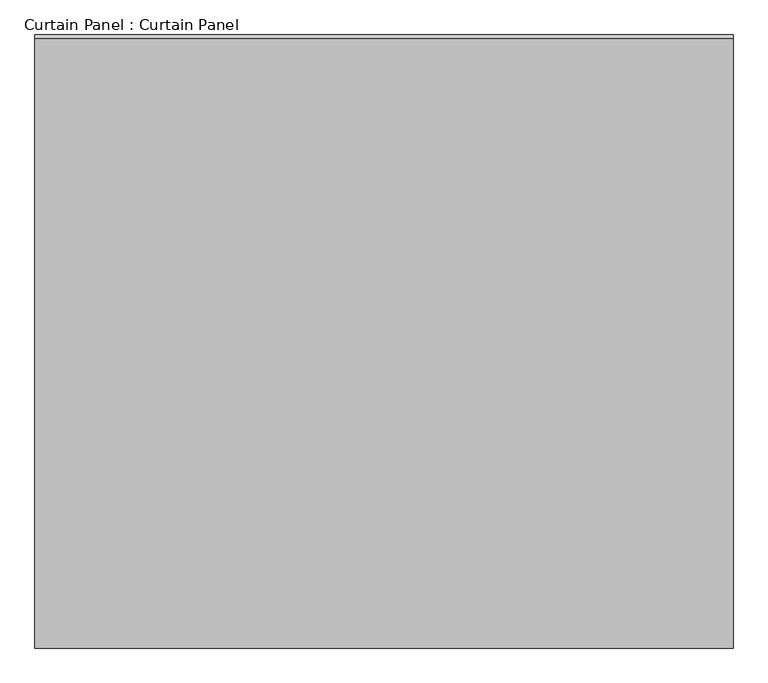
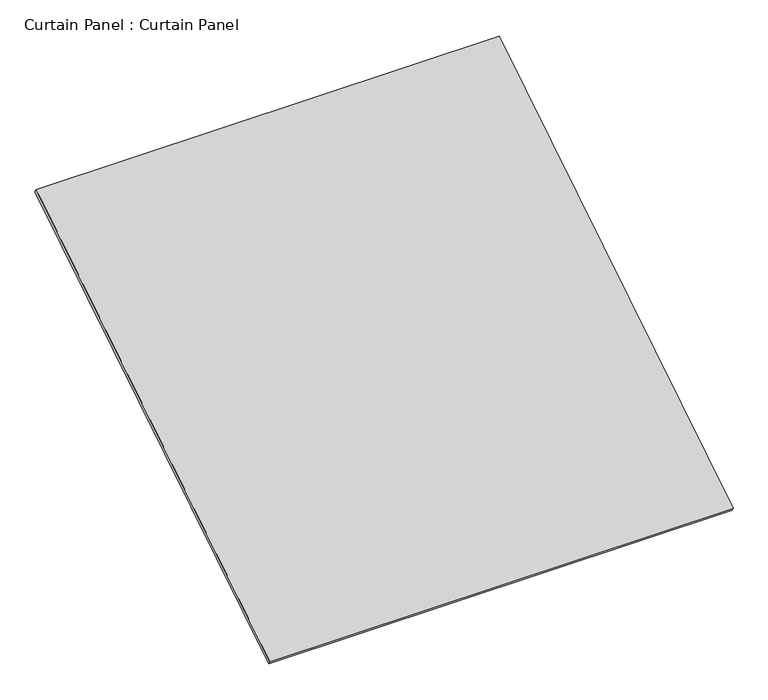
"""IFC4 building model written with IfcOpenShell, lengths in millimetres: plate geometry, Curtain Panel : Curtain Panel."""

from ifc_helpers import new_model, si_unit, frame, origin, place, context, project, spatial, polyline, outline, extrude, source, transform, mapped, element, save


def curtain_panel_curtain_panel_be3b04e7(model_context):
    return source(origin(), model_context, "Body", "SweptSolid", [
        extrude(outline(polyline([(-63.5, 0.0), (-63.5, -3013.075), (-2984.6077868, -3013.075), (-2984.6077868, 0.0), (-63.5, 0.0)])), frame((-114622.6430895, -3925.8916967, 7181.9913829), z_axis=(0.0, -0.5318918435658209, 0.8468122972348432), x_axis=(-1.0, 0.0, 0.0)), (0.0, 0.0, 1.0), 25.4),
    ])


if __name__ == "__main__":
    model = new_model("IFC4")
    model_context = context("Model", 3, world=origin())
    ifc_project = project(units=[si_unit("LENGTHUNIT", "METRE", prefix="MILLI")], contexts=[model_context])
    site = spatial("IfcSite", under=ifc_project)
    building = spatial("IfcBuilding", under=site)
    placement = place(None, origin())
    curtain_panel_curtain_panel_shape = curtain_panel_curtain_panel_be3b04e7(model_context)
    element("IfcPlate", 1, ObjectType="Curtain Panel : Curtain Panel", at=placement, inside=building, context=model_context, shape_type="MappedRepresentation", body=[
        mapped(curtain_panel_curtain_panel_shape, transform((0.0, 0.0, 0.0), x_axis=(1.0, 0.0, 0.0), y_axis=(0.0, 1.0, 0.0), z_axis=(0.0, 0.0, 1.0))),
    ])
    save(model, "model.ifc")
